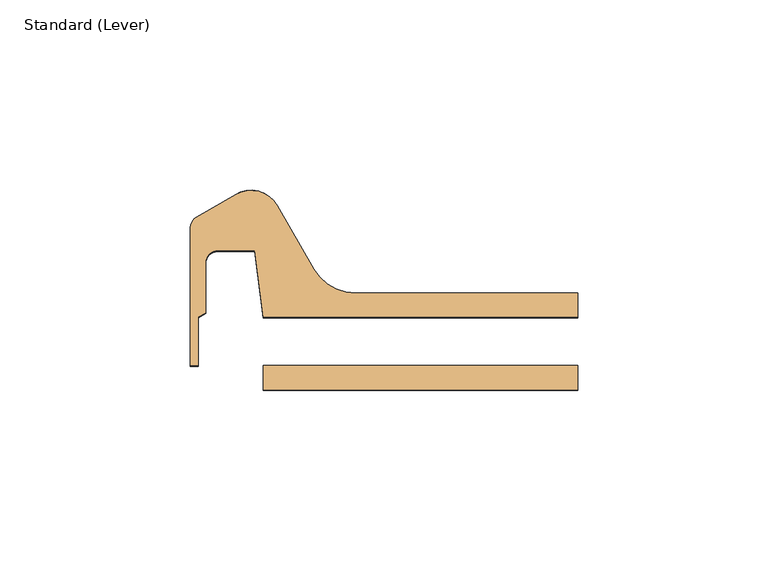
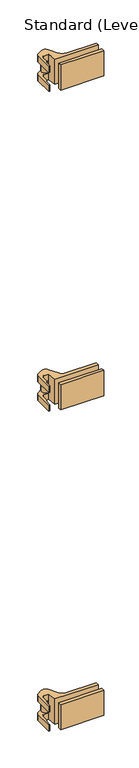
"""IFC4 building model written with IfcOpenShell, lengths in millimetres: door geometry, Standard (Lever)."""

from ifc_helpers import new_model, si_unit, frame, origin, place, context, project, spatial, polyline, circle_curve, outline, extrude, source, transform, mapped, element, save
from ifc_brep_helpers import plane_surface, cylinder_surface, revolved_surface, advanced_brep


def standard_lever_bb03be17(model_context):
    return source(origin(), model_context, "Body", "SolidModel", [
        advanced_brep(
        [(-440.3328125, 23.0182831, 1597.025), (-438.1500584, 5.55625, 1597.025), (-355.6, 5.55625, 1597.025), (-355.6, 11.90625, 1597.025), (-413.828963, 11.90625, 1597.025), (-424.8274856, 18.25625, 1597.025), (-434.4509234, 34.9245331, 1597.025), (-445.29375, 37.8298597, 1597.025), (-455.6125, 31.8723266, 1597.025), (-457.2, 29.122696, 1597.025), (-457.2, -7.1442169, 1597.025), (-455.19975, -7.1442169, 1597.025), (-455.19975, 5.5557831, 1597.025), (-453.1995, 6.710628, 1597.025), (-453.1995, 19.8432831, 1597.025), (-450.0245, 23.0182831, 1597.025), (-440.3328125, 23.0182831, 1584.325), (-450.0245, 23.0182831, 1584.325), (-453.1995, 19.8432831, 1584.325), (-453.1995, 6.710628, 1584.325), (-455.19975, 5.5557831, 1584.325), (-455.19975, -7.1442169, 1584.325), (-457.2, -7.1442169, 1584.325), (-457.2, 29.122696, 1584.325), (-455.6125, 31.8723266, 1584.325), (-445.29375, 37.8298597, 1584.325), (-434.4509234, 34.9245331, 1584.325), (-440.3404743, 23.0795774, 1582.7375), (-440.3404743, 23.0795774, 1560.5125), (-440.3404743, 23.0795774, 1558.925), (-440.3328125, 23.0182831, 1546.225), (-438.1500584, 5.55625, 1546.225), (-355.6, 5.55625, 1546.225), (-355.6, 11.90625, 1546.225), (-413.828963, 11.90625, 1546.225), (-413.828963, 11.90625, 1558.925), (-413.828963, 11.90625, 1584.325), (-424.8274856, 18.25625, 1584.325), (-424.8274856, 18.25625, 1558.925), (-424.8274856, 18.25625, 1546.225), (-434.4509234, 34.9245331, 1546.225), (-434.4509234, 34.9245331, 1558.925), (-434.4509234, 34.9245331, 1560.5125), (-434.4509234, 34.9245331, 1582.7375), (-433.3875, 30.9557831, 1582.7375), (-433.3875, 30.9557831, 1560.5125), (-445.29375, 37.8298597, 1558.925), (-455.6125, 31.8723266, 1558.925), (-457.2, 29.122696, 1558.925), (-457.2, -7.1442169, 1558.925), (-455.19975, -7.1442169, 1558.925), (-455.19975, 5.5557831, 1558.925), (-453.1995, 6.710628, 1558.925), (-453.1995, 19.8432831, 1558.925), (-450.0245, 23.0182831, 1558.925), (-450.0245, 23.0182831, 1546.225), (-453.1995, 19.8432831, 1546.225), (-453.1995, 6.710628, 1546.225), (-455.19975, 5.5557831, 1546.225), (-455.19975, -7.1442169, 1546.225), (-457.2, -7.1442169, 1546.225), (-457.2, 29.122696, 1546.225), (-455.6125, 31.8723266, 1546.225), (-445.29375, 37.8298597, 1546.225), (-449.2625, 30.9557831, 1582.7375), (-444.5, 30.9557831, 1582.7375), (-438.15, 30.9557831, 1582.7375), (-449.2625, 30.9557831, 1560.5125), (-444.5, 30.9557831, 1560.5125), (-438.15, 30.9557831, 1560.5125)],
        [
            (0, 1),
            (1, 2),
            (2, 3),
            (3, 4),
            (4, 5, circle_curve(frame((-413.828963, 24.60625, 1597.025), z_axis=(0.0, 0.0, -1.0), x_axis=(0.0, -1.0, 0.0)), 12.7)),
            (5, 6),
            (6, 7, circle_curve(frame((-441.325, 30.9557831, 1597.025), z_axis=(0.0, 0.0, 1.0), x_axis=(0.0, -1.0, 0.0)), 7.9375)),
            (7, 8),
            (8, 9, circle_curve(frame((-454.025, 29.122696, 1597.025), z_axis=(0.0, 0.0, 1.0), x_axis=(-0.5000000000000575, 0.8660254037844055, 0.0)), 3.175)),
            (9, 10),
            (10, 11),
            (11, 12),
            (12, 13),
            (13, 14),
            (14, 15, circle_curve(frame((-450.0245, 19.8432831, 1597.025), z_axis=(0.0, 0.0, -1.0), x_axis=(-1.0, 0.0, 0.0)), 3.175)),
            (15, 0),
            (16, 17),
            (17, 18, circle_curve(frame((-450.0245, 19.8432831, 1584.325), z_axis=(0.0, 0.0, 1.0), x_axis=(-1.0, 0.0, 0.0)), 3.175)),
            (18, 19),
            (19, 20),
            (20, 21),
            (21, 22),
            (22, 23),
            (23, 24, circle_curve(frame((-454.025, 29.122696, 1584.325), z_axis=(0.0, 0.0, -1.0), x_axis=(-0.5000000000000575, 0.8660254037844055, 0.0)), 3.175)),
            (24, 25),
            (25, 26, circle_curve(frame((-441.325, 30.9557831, 1584.325), z_axis=(0.0, 0.0, -1.0), x_axis=(0.0, -1.0, 0.0)), 7.9375)),
            (26, 16, circle_curve(frame((-441.325, 30.9557831, 1584.325), z_axis=(0.0, 0.0, -1.0), x_axis=(0.0, -1.0, 0.0)), 7.9375)),
            (7, 25),
            (24, 8),
            (23, 9),
            (22, 10),
            (21, 11),
            (20, 12),
            (19, 13),
            (18, 14),
            (17, 15),
            (16, 0),
            (16, 27),
            (27, 28),
            (28, 29),
            (29, 30),
            (30, 31),
            (31, 1),
            (31, 32),
            (32, 2),
            (32, 33),
            (33, 3),
            (33, 34),
            (34, 35),
            (35, 36),
            (36, 4),
            (36, 37, circle_curve(frame((-413.828963, 24.60625, 1584.325), z_axis=(0.0, 0.0, -1.0), x_axis=(0.0, -1.0, 0.0)), 12.7)),
            (37, 5),
            (37, 38),
            (38, 39),
            (39, 40),
            (40, 41),
            (41, 42),
            (42, 43),
            (43, 26),
            (26, 6),
            (35, 38, circle_curve(frame((-413.828963, 24.60625, 1558.925), z_axis=(0.0, 0.0, -1.0), x_axis=(0.0, -1.0, 0.0)), 12.7)),
            (43, 44, circle_curve(frame((-441.325, 30.9557831, 1582.7375), z_axis=(0.0, 0.0, -1.0), x_axis=(0.0, -1.0, 0.0)), 7.9375)),
            (44, 27, circle_curve(frame((-441.325, 30.9557831, 1582.7375), z_axis=(0.0, 0.0, -1.0), x_axis=(0.0, -1.0, 0.0)), 7.9375)),
            (41, 29, circle_curve(frame((-441.325, 30.9557831, 1558.925), z_axis=(0.0, 0.0, -1.0), x_axis=(0.0, -1.0, 0.0)), 7.9375)),
            (28, 45, circle_curve(frame((-441.325, 30.9557831, 1560.5125), z_axis=(0.0, 0.0, 1.0), x_axis=(0.0, -1.0, 0.0)), 7.9375)),
            (45, 42, circle_curve(frame((-441.325, 30.9557831, 1560.5125), z_axis=(0.0, 0.0, 1.0), x_axis=(0.0, -1.0, 0.0)), 7.9375)),
            (41, 46, circle_curve(frame((-441.325, 30.9557831, 1558.925), z_axis=(0.0, 0.0, 1.0), x_axis=(0.0, -1.0, 0.0)), 7.9375)),
            (46, 47),
            (47, 48, circle_curve(frame((-454.025, 29.122696, 1558.925), z_axis=(0.0, 0.0, 1.0), x_axis=(-0.5000000000000575, 0.8660254037844055, 0.0)), 3.175)),
            (48, 49),
            (49, 50),
            (50, 51),
            (51, 52),
            (52, 53),
            (53, 54, circle_curve(frame((-450.0245, 19.8432831, 1558.925), z_axis=(0.0, 0.0, -1.0), x_axis=(-1.0, 0.0, 0.0)), 3.175)),
            (54, 29),
            (30, 55),
            (55, 56, circle_curve(frame((-450.0245, 19.8432831, 1546.225), z_axis=(0.0, 0.0, 1.0), x_axis=(-1.0, 0.0, 0.0)), 3.175)),
            (56, 57),
            (57, 58),
            (58, 59),
            (59, 60),
            (60, 61),
            (61, 62, circle_curve(frame((-454.025, 29.122696, 1546.225), z_axis=(0.0, 0.0, -1.0), x_axis=(-0.5000000000000575, 0.8660254037844055, 0.0)), 3.175)),
            (62, 63),
            (63, 40, circle_curve(frame((-441.325, 30.9557831, 1546.225), z_axis=(0.0, 0.0, -1.0), x_axis=(0.0, -1.0, 0.0)), 7.9375)),
            (39, 34, circle_curve(frame((-413.828963, 24.60625, 1546.225), z_axis=(0.0, 0.0, 1.0), x_axis=(0.0, -1.0, 0.0)), 12.7)),
            (63, 46),
            (62, 47),
            (61, 48),
            (60, 49),
            (59, 50),
            (58, 51),
            (57, 52),
            (56, 53),
            (55, 54),
            (64, 27, circle_curve(frame((-441.325, 30.9557831, 1582.7375), z_axis=(0.0, 0.0, 1.0), x_axis=(1.0, 0.0, 0.0)), 7.9375)),
            (43, 64, circle_curve(frame((-441.325, 30.9557831, 1582.7375), z_axis=(0.0, 0.0, 1.0), x_axis=(1.0, 0.0, 0.0)), 7.9375)),
            (65, 66, circle_curve(frame((-441.325, 30.9557831, 1582.7375), z_axis=(0.0, 0.0, -1.0), x_axis=(1.0, 0.0, 0.0)), 3.175)),
            (66, 65, circle_curve(frame((-441.325, 30.9557831, 1582.7375), z_axis=(0.0, 0.0, -1.0), x_axis=(1.0, 0.0, 0.0)), 3.175)),
            (28, 67, circle_curve(frame((-441.325, 30.9557831, 1560.5125), z_axis=(0.0, 0.0, -1.0), x_axis=(1.0, 0.0, 0.0)), 7.9375)),
            (67, 42, circle_curve(frame((-441.325, 30.9557831, 1560.5125), z_axis=(0.0, 0.0, -1.0), x_axis=(1.0, 0.0, 0.0)), 7.9375)),
            (68, 69, circle_curve(frame((-441.325, 30.9557831, 1560.5125), z_axis=(0.0, 0.0, 1.0), x_axis=(1.0, 0.0, 0.0)), 3.175)),
            (69, 68, circle_curve(frame((-441.325, 30.9557831, 1560.5125), z_axis=(0.0, 0.0, 1.0), x_axis=(1.0, 0.0, 0.0)), 3.175)),
            (65, 68),
            (69, 66),
            (64, 67),
        ],
        [
            plane_surface(frame((-440.3328125, 23.0182831, 1597.025), z_axis=(0.0, 0.0, 1.0), x_axis=(0.12403473458190235, -0.9922778767145809, 0.0))),
            plane_surface(frame((-440.3328125, 23.0182831, 1584.325), z_axis=(0.0, 0.0, -1.0), x_axis=(-0.12403473458190235, 0.9922778767145809, 0.0))),
            plane_surface(frame((-445.29375, 37.8298597, 1597.025), z_axis=(-0.5000000000001321, 0.8660254037843624, 0.0), x_axis=(0.0, 0.0, -1.0))),
            cylinder_surface(frame((-454.025, 29.122696, 1584.325), z_axis=(0.0, 0.0, 1.0), x_axis=(-0.5000000000000575, 0.8660254037844055, 0.0)), 3.175),
            plane_surface(frame((-457.2, 29.122696, 1597.025), z_axis=(-1.0, 0.0, 0.0), x_axis=(0.0, 0.0, -1.0))),
            plane_surface(frame((-457.2, -7.1442169, 1597.025), z_axis=(0.0, -1.0, 0.0), x_axis=(0.0, 0.0, -1.0))),
            plane_surface(frame((-455.19975, -7.1442169, 1597.025), z_axis=(1.0, 0.0, 0.0), x_axis=(0.0, 0.0, -1.0))),
            plane_surface(frame((-455.19975, 5.5557831, 1597.025), z_axis=(0.4999999999997088, -0.8660254037846068, 0.0), x_axis=(0.0, 0.0, -1.0))),
            plane_surface(frame((-453.1995, 6.710628, 1597.025), z_axis=(1.0, 0.0, 0.0), x_axis=(0.0, 0.0, -1.0))),
            revolved_surface(polyline([(-453.1995, 19.8432831, 1584.325), (-453.1995, 19.8432831, 1597.025)]), (-450.0245, 19.8432831, 1584.325), (0.0, 0.0, -1.0)),
            plane_surface(frame((-450.0245, 23.0182831, 1597.025), z_axis=(0.0, -1.0, 0.0), x_axis=(0.0, 0.0, -1.0))),
            plane_surface(frame((-440.3328125, 23.0182831, 1597.025), z_axis=(-0.9922778767145809, -0.12403473458190235, 0.0), x_axis=(0.0, 0.0, -1.0))),
            plane_surface(frame((-438.1500584, 5.55625, 1597.025), z_axis=(0.0, -1.0, 0.0), x_axis=(0.0, 0.0, -1.0))),
            plane_surface(frame((-355.6, 5.55625, 1597.025), z_axis=(1.0, 0.0, 0.0), x_axis=(0.0, 0.0, -1.0))),
            plane_surface(frame((-355.6, 11.90625, 1597.025), z_axis=(0.0, 1.0, 0.0), x_axis=(0.0, 0.0, -1.0))),
            revolved_surface(polyline([(-413.828963, 11.90625, 1584.325), (-413.828963, 11.90625, 1597.025)]), (-413.828963, 24.60625, 1584.325), (0.0, 0.0, -1.0)),
            plane_surface(frame((-424.8274856, 18.25625, 1597.025), z_axis=(0.8660254037845987, 0.49999999999972294, 0.0), x_axis=(0.0, 0.0, -1.0))),
            cylinder_surface(frame((-441.325, 30.9557831, 1584.325), z_axis=(0.0, 0.0, 1.0), x_axis=(0.0, -1.0, 0.0)), 7.9375),
            revolved_surface(polyline([(-413.828963, 11.90625, 1558.925), (-413.828963, 11.90625, 1584.325)]), (-413.828963, 24.60625, 1558.925), (0.0, 0.0, -1.0)),
            revolved_surface(polyline([(-441.325, 23.0182831, 1582.7375), (-441.325, 23.0182831, 1584.325)]), (-441.325, 30.9557831, 1558.925), (0.0, 0.0, -1.0)),
            revolved_surface(polyline([(-441.325, 23.0182831, 1558.925), (-441.325, 23.0182831, 1560.5125)]), (-441.325, 30.9557831, 1558.925), (0.0, 0.0, -1.0)),
            plane_surface(frame((-440.3404743, 23.0795774, 1558.925), z_axis=(0.0, 0.0, 1.0), x_axis=(0.1240347345819024, -0.9922778767145809, 0.0))),
            plane_surface(frame((-440.3404743, 23.0795774, 1546.225), z_axis=(0.0, 0.0, -1.0), x_axis=(-0.1240347345819024, 0.9922778767145809, 0.0))),
            cylinder_surface(frame((-441.325, 30.9557831, 1546.225), z_axis=(0.0, 0.0, 1.0), x_axis=(0.0, -1.0, 0.0)), 7.9375),
            plane_surface(frame((-445.29375, 37.8298597, 1558.925), z_axis=(-0.500000000000132, 0.8660254037843624, 0.0), x_axis=(0.0, 0.0, -1.0))),
            cylinder_surface(frame((-454.025, 29.122696, 1546.225), z_axis=(0.0, 0.0, 1.0), x_axis=(-0.5000000000000575, 0.8660254037844055, 0.0)), 3.175),
            plane_surface(frame((-457.2, 29.122696, 1558.925), z_axis=(-1.0, 0.0, 0.0), x_axis=(0.0, 0.0, -1.0))),
            plane_surface(frame((-457.2, -7.1442169, 1558.925), z_axis=(0.0, -1.0, 0.0), x_axis=(0.0, 0.0, -1.0))),
            plane_surface(frame((-455.19975, -7.1442169, 1558.925), z_axis=(1.0, 0.0, 0.0), x_axis=(0.0, 0.0, -1.0))),
            plane_surface(frame((-455.19975, 5.5557831, 1558.925), z_axis=(0.4999999999997088, -0.8660254037846068, 0.0), x_axis=(0.0, 0.0, -1.0))),
            plane_surface(frame((-453.1995, 6.710628, 1558.925), z_axis=(1.0, 0.0, 0.0), x_axis=(0.0, 0.0, -1.0))),
            revolved_surface(polyline([(-453.1995, 19.8432831, 1546.225), (-453.1995, 19.8432831, 1558.925)]), (-450.0245, 19.8432831, 1546.225), (0.0, 0.0, -1.0)),
            plane_surface(frame((-450.0245, 23.0182831, 1558.925), z_axis=(0.0, -1.0, 0.0), x_axis=(0.0, 0.0, -1.0))),
            revolved_surface(polyline([(-413.828963, 11.90625, 1546.225), (-413.828963, 11.90625, 1558.925)]), (-413.828963, 24.60625, 1546.225), (0.0, 0.0, -1.0)),
            plane_surface(frame((-438.15, 30.9557831, 1582.7375), z_axis=(0.0, 0.0, 1.0), x_axis=(0.0, -1.0, 0.0))),
            plane_surface(frame((-438.15, 30.9557831, 1560.5125), z_axis=(0.0, 0.0, -1.0), x_axis=(0.0, 1.0, 0.0))),
            revolved_surface(polyline([(-438.15, 30.9557831, 1560.5125), (-438.15, 30.9557831, 1582.7375)]), (-441.325, 30.9557831, 1560.5125), (0.0, 0.0, -1.0)),
            cylinder_surface(frame((-441.325, 30.9557831, 1546.225), z_axis=(0.0, 0.0, 1.0), x_axis=(1.0, 0.0, 0.0)), 7.9375),
        ],
        [
            (0, [[1, 2, 3, 4, 5, 6, 7, 8, 9, 10, 11, 12, 13, 14, 15, 16]]),
            (1, [[17, 18, 19, 20, 21, 22, 23, 24, 25, 26, 27]]),
            (2, [[-8, 28, -25, 29]]),
            (3, [[-9, -29, -24, 30]]),
            (4, [[-10, -30, -23, 31]]),
            (5, [[-11, -31, -22, 32]]),
            (6, [[-12, -32, -21, 33]]),
            (7, [[-13, -33, -20, 34]]),
            (8, [[-14, -34, -19, 35]]),
            (9, [[-15, -35, -18, 36]]),
            (10, [[-16, -36, -17, 37]]),
            (11, [[-1, -37, 38, 39, 40, 41, 42, 43]]),
            (12, [[-2, -43, 44, 45]]),
            (13, [[-3, -45, 46, 47]]),
            (14, [[-4, -47, 48, 49, 50, 51]]),
            (15, [[-5, -51, 52, 53]]),
            (16, [[-6, -53, 54, 55, 56, 57, 58, 59, 60, 61]]),
            (17, [[-7, -61, -26, -28]]),
            (18, [[-50, 62, -54, -52]]),
            (19, [[-27, -60, 63, 64, -38]]),
            (20, [[65, -40, 66, 67, -58]]),
            (21, [[68, 69, 70, 71, 72, 73, 74, 75, 76, 77, -65]]),
            (22, [[78, 79, 80, 81, 82, 83, 84, 85, 86, 87, -56, 88, -48, -46, -44, -42]]),
            (23, [[-68, -57, -87, 89]]),
            (24, [[-69, -89, -86, 90]]),
            (25, [[-70, -90, -85, 91]]),
            (26, [[-71, -91, -84, 92]]),
            (27, [[-72, -92, -83, 93]]),
            (28, [[-73, -93, -82, 94]]),
            (29, [[-74, -94, -81, 95]]),
            (30, [[-75, -95, -80, 96]]),
            (31, [[-76, -96, -79, 97]]),
            (32, [[-77, -97, -78, -41]]),
            (33, [[-88, -55, -62, -49]]),
            (34, [[98, -64, -63, 99], [100, 101]]),
            (35, [[102, 103, -67, -66], [104, 105]]),
            (36, [[-100, 106, -105, 107]]),
            (36, [[-101, -107, -104, -106]]),
            (37, [[108, -102, -39, -98]]),
            (37, [[-108, -99, -59, -103]]),
        ],
    ),
        extrude(outline(polyline([(-355.6, -13.49375), (-438.15, -13.49375), (-438.15, -7.14375), (-355.6, -7.14375), (-355.6, -13.49375)])), frame((0.0, 0.0, 1546.225), z_axis=(0.0, 0.0, 1.0), x_axis=(1.0, 0.0, 0.0)), (0.0, 0.0, 1.0), 50.8),
        advanced_brep(
        [(-440.3328125, 23.0182831, 950.9125), (-438.1500584, 5.55625, 950.9125), (-355.6, 5.55625, 950.9125), (-355.6, 11.90625, 950.9125), (-413.828963, 11.90625, 950.9125), (-424.8274856, 18.25625, 950.9125), (-434.4509234, 34.9245331, 950.9125), (-445.29375, 37.8298597, 950.9125), (-455.6125, 31.8723266, 950.9125), (-457.2, 29.122696, 950.9125), (-457.2, -7.1442169, 950.9125), (-455.19975, -7.1442169, 950.9125), (-455.19975, 5.5557831, 950.9125), (-453.1995, 6.710628, 950.9125), (-453.1995, 19.8432831, 950.9125), (-450.0245, 23.0182831, 950.9125), (-440.3328125, 23.0182831, 938.2125), (-450.0245, 23.0182831, 938.2125), (-453.1995, 19.8432831, 938.2125), (-453.1995, 6.710628, 938.2125), (-455.19975, 5.5557831, 938.2125), (-455.19975, -7.1442169, 938.2125), (-457.2, -7.1442169, 938.2125), (-457.2, 29.122696, 938.2125), (-455.6125, 31.8723266, 938.2125), (-445.29375, 37.8298597, 938.2125), (-434.4509234, 34.9245331, 938.2125), (-440.3404743, 23.0795774, 936.625), (-440.3404743, 23.0795774, 914.4), (-440.3404743, 23.0795774, 912.8125), (-440.3328125, 23.0182831, 900.1125), (-438.1500584, 5.55625, 900.1125), (-355.6, 5.55625, 900.1125), (-355.6, 11.90625, 900.1125), (-413.828963, 11.90625, 900.1125), (-413.828963, 11.90625, 912.8125), (-413.828963, 11.90625, 938.2125), (-424.8274856, 18.25625, 938.2125), (-424.8274856, 18.25625, 912.8125), (-424.8274856, 18.25625, 900.1125), (-434.4509234, 34.9245331, 900.1125), (-434.4509234, 34.9245331, 912.8125), (-434.4509234, 34.9245331, 914.4), (-434.4509234, 34.9245331, 936.625), (-433.3875, 30.9557831, 936.625), (-433.3875, 30.9557831, 914.4), (-445.29375, 37.8298597, 912.8125), (-455.6125, 31.8723266, 912.8125), (-457.2, 29.122696, 912.8125), (-457.2, -7.1442169, 912.8125), (-455.19975, -7.1442169, 912.8125), (-455.19975, 5.5557831, 912.8125), (-453.1995, 6.710628, 912.8125), (-453.1995, 19.8432831, 912.8125), (-450.0245, 23.0182831, 912.8125), (-450.0245, 23.0182831, 900.1125), (-453.1995, 19.8432831, 900.1125), (-453.1995, 6.710628, 900.1125), (-455.19975, 5.5557831, 900.1125), (-455.19975, -7.1442169, 900.1125), (-457.2, -7.1442169, 900.1125), (-457.2, 29.122696, 900.1125), (-455.6125, 31.8723266, 900.1125), (-445.29375, 37.8298597, 900.1125), (-449.2625, 30.9557831, 936.625), (-444.5, 30.9557831, 936.625), (-438.15, 30.9557831, 936.625), (-449.2625, 30.9557831, 914.4), (-444.5, 30.9557831, 914.4), (-438.15, 30.9557831, 914.4)],
        [
            (0, 1),
            (1, 2),
            (2, 3),
            (3, 4),
            (4, 5, circle_curve(frame((-413.828963, 24.60625, 950.9125), z_axis=(0.0, 0.0, -1.0), x_axis=(0.0, -1.0, 0.0)), 12.7)),
            (5, 6),
            (6, 7, circle_curve(frame((-441.325, 30.9557831, 950.9125), z_axis=(0.0, 0.0, 1.0), x_axis=(0.0, -1.0, 0.0)), 7.9375)),
            (7, 8),
            (8, 9, circle_curve(frame((-454.025, 29.122696, 950.9125), z_axis=(0.0, 0.0, 1.0), x_axis=(-0.5000000000000575, 0.8660254037844055, 0.0)), 3.175)),
            (9, 10),
            (10, 11),
            (11, 12),
            (12, 13),
            (13, 14),
            (14, 15, circle_curve(frame((-450.0245, 19.8432831, 950.9125), z_axis=(0.0, 0.0, -1.0), x_axis=(-1.0, 0.0, 0.0)), 3.175)),
            (15, 0),
            (16, 17),
            (17, 18, circle_curve(frame((-450.0245, 19.8432831, 938.2125), z_axis=(0.0, 0.0, 1.0), x_axis=(-1.0, 0.0, 0.0)), 3.175)),
            (18, 19),
            (19, 20),
            (20, 21),
            (21, 22),
            (22, 23),
            (23, 24, circle_curve(frame((-454.025, 29.122696, 938.2125), z_axis=(0.0, 0.0, -1.0), x_axis=(-0.5000000000000575, 0.8660254037844055, 0.0)), 3.175)),
            (24, 25),
            (25, 26, circle_curve(frame((-441.325, 30.9557831, 938.2125), z_axis=(0.0, 0.0, -1.0), x_axis=(0.0, -1.0, 0.0)), 7.9375)),
            (26, 16, circle_curve(frame((-441.325, 30.9557831, 938.2125), z_axis=(0.0, 0.0, -1.0), x_axis=(0.0, -1.0, 0.0)), 7.9375)),
            (7, 25),
            (24, 8),
            (23, 9),
            (22, 10),
            (21, 11),
            (20, 12),
            (19, 13),
            (18, 14),
            (17, 15),
            (16, 0),
            (16, 27),
            (27, 28),
            (28, 29),
            (29, 30),
            (30, 31),
            (31, 1),
            (31, 32),
            (32, 2),
            (32, 33),
            (33, 3),
            (33, 34),
            (34, 35),
            (35, 36),
            (36, 4),
            (36, 37, circle_curve(frame((-413.828963, 24.60625, 938.2125), z_axis=(0.0, 0.0, -1.0), x_axis=(0.0, -1.0, 0.0)), 12.7)),
            (37, 5),
            (37, 38),
            (38, 39),
            (39, 40),
            (40, 41),
            (41, 42),
            (42, 43),
            (43, 26),
            (26, 6),
            (35, 38, circle_curve(frame((-413.828963, 24.60625, 912.8125), z_axis=(0.0, 0.0, -1.0), x_axis=(0.0, -1.0, 0.0)), 12.7)),
            (43, 44, circle_curve(frame((-441.325, 30.9557831, 936.625), z_axis=(0.0, 0.0, -1.0), x_axis=(0.0, -1.0, 0.0)), 7.9375)),
            (44, 27, circle_curve(frame((-441.325, 30.9557831, 936.625), z_axis=(0.0, 0.0, -1.0), x_axis=(0.0, -1.0, 0.0)), 7.9375)),
            (41, 29, circle_curve(frame((-441.325, 30.9557831, 912.8125), z_axis=(0.0, 0.0, -1.0), x_axis=(0.0, -1.0, 0.0)), 7.9375)),
            (28, 45, circle_curve(frame((-441.325, 30.9557831, 914.4), z_axis=(0.0, 0.0, 1.0), x_axis=(0.0, -1.0, 0.0)), 7.9375)),
            (45, 42, circle_curve(frame((-441.325, 30.9557831, 914.4), z_axis=(0.0, 0.0, 1.0), x_axis=(0.0, -1.0, 0.0)), 7.9375)),
            (41, 46, circle_curve(frame((-441.325, 30.9557831, 912.8125), z_axis=(0.0, 0.0, 1.0), x_axis=(0.0, -1.0, 0.0)), 7.9375)),
            (46, 47),
            (47, 48, circle_curve(frame((-454.025, 29.122696, 912.8125), z_axis=(0.0, 0.0, 1.0), x_axis=(-0.5000000000000575, 0.8660254037844055, 0.0)), 3.175)),
            (48, 49),
            (49, 50),
            (50, 51),
            (51, 52),
            (52, 53),
            (53, 54, circle_curve(frame((-450.0245, 19.8432831, 912.8125), z_axis=(0.0, 0.0, -1.0), x_axis=(-1.0, 0.0, 0.0)), 3.175)),
            (54, 29),
            (30, 55),
            (55, 56, circle_curve(frame((-450.0245, 19.8432831, 900.1125), z_axis=(0.0, 0.0, 1.0), x_axis=(-1.0, 0.0, 0.0)), 3.175)),
            (56, 57),
            (57, 58),
            (58, 59),
            (59, 60),
            (60, 61),
            (61, 62, circle_curve(frame((-454.025, 29.122696, 900.1125), z_axis=(0.0, 0.0, -1.0), x_axis=(-0.5000000000000575, 0.8660254037844055, 0.0)), 3.175)),
            (62, 63),
            (63, 40, circle_curve(frame((-441.325, 30.9557831, 900.1125), z_axis=(0.0, 0.0, -1.0), x_axis=(0.0, -1.0, 0.0)), 7.9375)),
            (39, 34, circle_curve(frame((-413.828963, 24.60625, 900.1125), z_axis=(0.0, 0.0, 1.0), x_axis=(0.0, -1.0, 0.0)), 12.7)),
            (63, 46),
            (62, 47),
            (61, 48),
            (60, 49),
            (59, 50),
            (58, 51),
            (57, 52),
            (56, 53),
            (55, 54),
            (64, 27, circle_curve(frame((-441.325, 30.9557831, 936.625), z_axis=(0.0, 0.0, 1.0), x_axis=(1.0, 0.0, 0.0)), 7.9375)),
            (43, 64, circle_curve(frame((-441.325, 30.9557831, 936.625), z_axis=(0.0, 0.0, 1.0), x_axis=(1.0, 0.0, 0.0)), 7.9375)),
            (65, 66, circle_curve(frame((-441.325, 30.9557831, 936.625), z_axis=(0.0, 0.0, -1.0), x_axis=(1.0, 0.0, 0.0)), 3.175)),
            (66, 65, circle_curve(frame((-441.325, 30.9557831, 936.625), z_axis=(0.0, 0.0, -1.0), x_axis=(1.0, 0.0, 0.0)), 3.175)),
            (28, 67, circle_curve(frame((-441.325, 30.9557831, 914.4), z_axis=(0.0, 0.0, -1.0), x_axis=(1.0, 0.0, 0.0)), 7.9375)),
            (67, 42, circle_curve(frame((-441.325, 30.9557831, 914.4), z_axis=(0.0, 0.0, -1.0), x_axis=(1.0, 0.0, 0.0)), 7.9375)),
            (68, 69, circle_curve(frame((-441.325, 30.9557831, 914.4), z_axis=(0.0, 0.0, 1.0), x_axis=(1.0, 0.0, 0.0)), 3.175)),
            (69, 68, circle_curve(frame((-441.325, 30.9557831, 914.4), z_axis=(0.0, 0.0, 1.0), x_axis=(1.0, 0.0, 0.0)), 3.175)),
            (65, 68),
            (69, 66),
            (64, 67),
        ],
        [
            plane_surface(frame((-440.3328125, 23.0182831, 950.9125), z_axis=(0.0, 0.0, 1.0), x_axis=(0.12403473458190235, -0.9922778767145809, 0.0))),
            plane_surface(frame((-440.3328125, 23.0182831, 938.2125), z_axis=(0.0, 0.0, -1.0), x_axis=(-0.12403473458190235, 0.9922778767145809, 0.0))),
            plane_surface(frame((-445.29375, 37.8298597, 950.9125), z_axis=(-0.5000000000001321, 0.8660254037843624, 0.0), x_axis=(0.0, 0.0, -1.0))),
            cylinder_surface(frame((-454.025, 29.122696, 938.2125), z_axis=(0.0, 0.0, 1.0), x_axis=(-0.5000000000000575, 0.8660254037844055, 0.0)), 3.175),
            plane_surface(frame((-457.2, 29.122696, 950.9125), z_axis=(-1.0, 0.0, 0.0), x_axis=(0.0, 0.0, -1.0))),
            plane_surface(frame((-457.2, -7.1442169, 950.9125), z_axis=(0.0, -1.0, 0.0), x_axis=(0.0, 0.0, -1.0))),
            plane_surface(frame((-455.19975, -7.1442169, 950.9125), z_axis=(1.0, 0.0, 0.0), x_axis=(0.0, 0.0, -1.0))),
            plane_surface(frame((-455.19975, 5.5557831, 950.9125), z_axis=(0.4999999999997088, -0.8660254037846068, 0.0), x_axis=(0.0, 0.0, -1.0))),
            plane_surface(frame((-453.1995, 6.710628, 950.9125), z_axis=(1.0, 0.0, 0.0), x_axis=(0.0, 0.0, -1.0))),
            revolved_surface(polyline([(-453.1995, 19.8432831, 938.2125), (-453.1995, 19.8432831, 950.9125)]), (-450.0245, 19.8432831, 938.2125), (0.0, 0.0, -1.0)),
            plane_surface(frame((-450.0245, 23.0182831, 950.9125), z_axis=(0.0, -1.0, 0.0), x_axis=(0.0, 0.0, -1.0))),
            plane_surface(frame((-440.3328125, 23.0182831, 950.9125), z_axis=(-0.9922778767145809, -0.12403473458190235, 0.0), x_axis=(0.0, 0.0, -1.0))),
            plane_surface(frame((-438.1500584, 5.55625, 950.9125), z_axis=(0.0, -1.0, 0.0), x_axis=(0.0, 0.0, -1.0))),
            plane_surface(frame((-355.6, 5.55625, 950.9125), z_axis=(1.0, 0.0, 0.0), x_axis=(0.0, 0.0, -1.0))),
            plane_surface(frame((-355.6, 11.90625, 950.9125), z_axis=(0.0, 1.0, 0.0), x_axis=(0.0, 0.0, -1.0))),
            revolved_surface(polyline([(-413.828963, 11.90625, 938.2125), (-413.828963, 11.90625, 950.9125)]), (-413.828963, 24.60625, 938.2125), (0.0, 0.0, -1.0)),
            plane_surface(frame((-424.8274856, 18.25625, 950.9125), z_axis=(0.8660254037845987, 0.49999999999972294, 0.0), x_axis=(0.0, 0.0, -1.0))),
            cylinder_surface(frame((-441.325, 30.9557831, 938.2125), z_axis=(0.0, 0.0, 1.0), x_axis=(0.0, -1.0, 0.0)), 7.9375),
            revolved_surface(polyline([(-413.828963, 11.90625, 912.8125), (-413.828963, 11.90625, 938.2125)]), (-413.828963, 24.60625, 912.8125), (0.0, 0.0, -1.0)),
            revolved_surface(polyline([(-441.325, 23.0182831, 936.625), (-441.325, 23.0182831, 938.2125)]), (-441.325, 30.9557831, 912.8125), (0.0, 0.0, -1.0)),
            revolved_surface(polyline([(-441.325, 23.0182831, 912.8125), (-441.325, 23.0182831, 914.4)]), (-441.325, 30.9557831, 912.8125), (0.0, 0.0, -1.0)),
            plane_surface(frame((-440.3404743, 23.0795774, 912.8125), z_axis=(0.0, 0.0, 1.0), x_axis=(0.1240347345819024, -0.9922778767145809, 0.0))),
            plane_surface(frame((-440.3404743, 23.0795774, 900.1125), z_axis=(0.0, 0.0, -1.0), x_axis=(-0.1240347345819024, 0.9922778767145809, 0.0))),
            cylinder_surface(frame((-441.325, 30.9557831, 900.1125), z_axis=(0.0, 0.0, 1.0), x_axis=(0.0, -1.0, 0.0)), 7.9375),
            plane_surface(frame((-445.29375, 37.8298597, 912.8125), z_axis=(-0.500000000000132, 0.8660254037843624, 0.0), x_axis=(0.0, 0.0, -1.0))),
            cylinder_surface(frame((-454.025, 29.122696, 900.1125), z_axis=(0.0, 0.0, 1.0), x_axis=(-0.5000000000000575, 0.8660254037844055, 0.0)), 3.175),
            plane_surface(frame((-457.2, 29.122696, 912.8125), z_axis=(-1.0, 0.0, 0.0), x_axis=(0.0, 0.0, -1.0))),
            plane_surface(frame((-457.2, -7.1442169, 912.8125), z_axis=(0.0, -1.0, 0.0), x_axis=(0.0, 0.0, -1.0))),
            plane_surface(frame((-455.19975, -7.1442169, 912.8125), z_axis=(1.0, 0.0, 0.0), x_axis=(0.0, 0.0, -1.0))),
            plane_surface(frame((-455.19975, 5.5557831, 912.8125), z_axis=(0.4999999999997088, -0.8660254037846068, 0.0), x_axis=(0.0, 0.0, -1.0))),
            plane_surface(frame((-453.1995, 6.710628, 912.8125), z_axis=(1.0, 0.0, 0.0), x_axis=(0.0, 0.0, -1.0))),
            revolved_surface(polyline([(-453.1995, 19.8432831, 900.1125), (-453.1995, 19.8432831, 912.8125)]), (-450.0245, 19.8432831, 900.1125), (0.0, 0.0, -1.0)),
            plane_surface(frame((-450.0245, 23.0182831, 912.8125), z_axis=(0.0, -1.0, 0.0), x_axis=(0.0, 0.0, -1.0))),
            revolved_surface(polyline([(-413.828963, 11.90625, 900.1125), (-413.828963, 11.90625, 912.8125)]), (-413.828963, 24.60625, 900.1125), (0.0, 0.0, -1.0)),
            plane_surface(frame((-438.15, 30.9557831, 936.625), z_axis=(0.0, 0.0, 1.0), x_axis=(0.0, -1.0, 0.0))),
            plane_surface(frame((-438.15, 30.9557831, 914.4), z_axis=(0.0, 0.0, -1.0), x_axis=(0.0, 1.0, 0.0))),
            revolved_surface(polyline([(-438.15, 30.9557831, 914.4), (-438.15, 30.9557831, 936.625)]), (-441.325, 30.9557831, 914.4), (0.0, 0.0, -1.0)),
            cylinder_surface(frame((-441.325, 30.9557831, 900.1125), z_axis=(0.0, 0.0, 1.0), x_axis=(1.0, 0.0, 0.0)), 7.9375),
        ],
        [
            (0, [[1, 2, 3, 4, 5, 6, 7, 8, 9, 10, 11, 12, 13, 14, 15, 16]]),
            (1, [[17, 18, 19, 20, 21, 22, 23, 24, 25, 26, 27]]),
            (2, [[-8, 28, -25, 29]]),
            (3, [[-9, -29, -24, 30]]),
            (4, [[-10, -30, -23, 31]]),
            (5, [[-11, -31, -22, 32]]),
            (6, [[-12, -32, -21, 33]]),
            (7, [[-13, -33, -20, 34]]),
            (8, [[-14, -34, -19, 35]]),
            (9, [[-15, -35, -18, 36]]),
            (10, [[-16, -36, -17, 37]]),
            (11, [[-1, -37, 38, 39, 40, 41, 42, 43]]),
            (12, [[-2, -43, 44, 45]]),
            (13, [[-3, -45, 46, 47]]),
            (14, [[-4, -47, 48, 49, 50, 51]]),
            (15, [[-5, -51, 52, 53]]),
            (16, [[-6, -53, 54, 55, 56, 57, 58, 59, 60, 61]]),
            (17, [[-7, -61, -26, -28]]),
            (18, [[-50, 62, -54, -52]]),
            (19, [[-27, -60, 63, 64, -38]]),
            (20, [[65, -40, 66, 67, -58]]),
            (21, [[68, 69, 70, 71, 72, 73, 74, 75, 76, 77, -65]]),
            (22, [[78, 79, 80, 81, 82, 83, 84, 85, 86, 87, -56, 88, -48, -46, -44, -42]]),
            (23, [[-68, -57, -87, 89]]),
            (24, [[-69, -89, -86, 90]]),
            (25, [[-70, -90, -85, 91]]),
            (26, [[-71, -91, -84, 92]]),
            (27, [[-72, -92, -83, 93]]),
            (28, [[-73, -93, -82, 94]]),
            (29, [[-74, -94, -81, 95]]),
            (30, [[-75, -95, -80, 96]]),
            (31, [[-76, -96, -79, 97]]),
            (32, [[-77, -97, -78, -41]]),
            (33, [[-88, -55, -62, -49]]),
            (34, [[98, -64, -63, 99], [100, 101]]),
            (35, [[102, 103, -67, -66], [104, 105]]),
            (36, [[-100, 106, -105, 107]]),
            (36, [[-101, -107, -104, -106]]),
            (37, [[108, -102, -39, -98]]),
            (37, [[-108, -99, -59, -103]]),
        ],
    ),
        extrude(outline(polyline([(-355.6, -13.49375), (-438.15, -13.49375), (-438.15, -7.14375), (-355.6, -7.14375), (-355.6, -13.49375)])), frame((0.0, 0.0, 900.1125), z_axis=(0.0, 0.0, 1.0), x_axis=(1.0, 0.0, 0.0)), (0.0, 0.0, 1.0), 50.8),
        advanced_brep(
        [(-440.3328125, 23.0182831, 2243.1375), (-438.1500584, 5.55625, 2243.1375), (-355.6, 5.55625, 2243.1375), (-355.6, 11.90625, 2243.1375), (-413.828963, 11.90625, 2243.1375), (-424.8274856, 18.25625, 2243.1375), (-434.4509234, 34.9245331, 2243.1375), (-445.29375, 37.8298597, 2243.1375), (-455.6125, 31.8723266, 2243.1375), (-457.2, 29.122696, 2243.1375), (-457.2, -7.1442169, 2243.1375), (-455.19975, -7.1442169, 2243.1375), (-455.19975, 5.5557831, 2243.1375), (-453.1995, 6.710628, 2243.1375), (-453.1995, 19.8432831, 2243.1375), (-450.0245, 23.0182831, 2243.1375), (-440.3328125, 23.0182831, 2230.4375), (-450.0245, 23.0182831, 2230.4375), (-453.1995, 19.8432831, 2230.4375), (-453.1995, 6.710628, 2230.4375), (-455.19975, 5.5557831, 2230.4375), (-455.19975, -7.1442169, 2230.4375), (-457.2, -7.1442169, 2230.4375), (-457.2, 29.122696, 2230.4375), (-455.6125, 31.8723266, 2230.4375), (-445.29375, 37.8298597, 2230.4375), (-434.4509234, 34.9245331, 2230.4375), (-440.3404743, 23.0795774, 2228.85), (-440.3404743, 23.0795774, 2206.625), (-440.3404743, 23.0795774, 2205.0375), (-440.3328125, 23.0182831, 2192.3375), (-438.1500584, 5.55625, 2192.3375), (-355.6, 5.55625, 2192.3375), (-355.6, 11.90625, 2192.3375), (-413.828963, 11.90625, 2192.3375), (-413.828963, 11.90625, 2205.0375), (-413.828963, 11.90625, 2230.4375), (-424.8274856, 18.25625, 2230.4375), (-424.8274856, 18.25625, 2205.0375), (-424.8274856, 18.25625, 2192.3375), (-434.4509234, 34.9245331, 2192.3375), (-434.4509234, 34.9245331, 2205.0375), (-434.4509234, 34.9245331, 2206.625), (-434.4509234, 34.9245331, 2228.85), (-433.3875, 30.9557831, 2228.85), (-433.3875, 30.9557831, 2206.625), (-445.29375, 37.8298597, 2205.0375), (-455.6125, 31.8723266, 2205.0375), (-457.2, 29.122696, 2205.0375), (-457.2, -7.1442169, 2205.0375), (-455.19975, -7.1442169, 2205.0375), (-455.19975, 5.5557831, 2205.0375), (-453.1995, 6.710628, 2205.0375), (-453.1995, 19.8432831, 2205.0375), (-450.0245, 23.0182831, 2205.0375), (-450.0245, 23.0182831, 2192.3375), (-453.1995, 19.8432831, 2192.3375), (-453.1995, 6.710628, 2192.3375), (-455.19975, 5.5557831, 2192.3375), (-455.19975, -7.1442169, 2192.3375), (-457.2, -7.1442169, 2192.3375), (-457.2, 29.122696, 2192.3375), (-455.6125, 31.8723266, 2192.3375), (-445.29375, 37.8298597, 2192.3375), (-449.2625, 30.9557831, 2228.85), (-444.5, 30.9557831, 2228.85), (-438.15, 30.9557831, 2228.85), (-449.2625, 30.9557831, 2206.625), (-444.5, 30.9557831, 2206.625), (-438.15, 30.9557831, 2206.625)],
        [
            (0, 1),
            (1, 2),
            (2, 3),
            (3, 4),
            (4, 5, circle_curve(frame((-413.828963, 24.60625, 2243.1375), z_axis=(0.0, 0.0, -1.0), x_axis=(0.0, -1.0, 0.0)), 12.7)),
            (5, 6),
            (6, 7, circle_curve(frame((-441.325, 30.9557831, 2243.1375), z_axis=(0.0, 0.0, 1.0), x_axis=(0.0, -1.0, 0.0)), 7.9375)),
            (7, 8),
            (8, 9, circle_curve(frame((-454.025, 29.122696, 2243.1375), z_axis=(0.0, 0.0, 1.0), x_axis=(-0.5000000000000575, 0.8660254037844055, 0.0)), 3.175)),
            (9, 10),
            (10, 11),
            (11, 12),
            (12, 13),
            (13, 14),
            (14, 15, circle_curve(frame((-450.0245, 19.8432831, 2243.1375), z_axis=(0.0, 0.0, -1.0), x_axis=(-1.0, 0.0, 0.0)), 3.175)),
            (15, 0),
            (16, 17),
            (17, 18, circle_curve(frame((-450.0245, 19.8432831, 2230.4375), z_axis=(0.0, 0.0, 1.0), x_axis=(-1.0, 0.0, 0.0)), 3.175)),
            (18, 19),
            (19, 20),
            (20, 21),
            (21, 22),
            (22, 23),
            (23, 24, circle_curve(frame((-454.025, 29.122696, 2230.4375), z_axis=(0.0, 0.0, -1.0), x_axis=(-0.5000000000000575, 0.8660254037844055, 0.0)), 3.175)),
            (24, 25),
            (25, 26, circle_curve(frame((-441.325, 30.9557831, 2230.4375), z_axis=(0.0, 0.0, -1.0), x_axis=(0.0, -1.0, 0.0)), 7.9375)),
            (26, 16, circle_curve(frame((-441.325, 30.9557831, 2230.4375), z_axis=(0.0, 0.0, -1.0), x_axis=(0.0, -1.0, 0.0)), 7.9375)),
            (7, 25),
            (24, 8),
            (23, 9),
            (22, 10),
            (21, 11),
            (20, 12),
            (19, 13),
            (18, 14),
            (17, 15),
            (16, 0),
            (16, 27),
            (27, 28),
            (28, 29),
            (29, 30),
            (30, 31),
            (31, 1),
            (31, 32),
            (32, 2),
            (32, 33),
            (33, 3),
            (33, 34),
            (34, 35),
            (35, 36),
            (36, 4),
            (36, 37, circle_curve(frame((-413.828963, 24.60625, 2230.4375), z_axis=(0.0, 0.0, -1.0), x_axis=(0.0, -1.0, 0.0)), 12.7)),
            (37, 5),
            (37, 38),
            (38, 39),
            (39, 40),
            (40, 41),
            (41, 42),
            (42, 43),
            (43, 26),
            (26, 6),
            (35, 38, circle_curve(frame((-413.828963, 24.60625, 2205.0375), z_axis=(0.0, 0.0, -1.0), x_axis=(0.0, -1.0, 0.0)), 12.7)),
            (43, 44, circle_curve(frame((-441.325, 30.9557831, 2228.85), z_axis=(0.0, 0.0, -1.0), x_axis=(0.0, -1.0, 0.0)), 7.9375)),
            (44, 27, circle_curve(frame((-441.325, 30.9557831, 2228.85), z_axis=(0.0, 0.0, -1.0), x_axis=(0.0, -1.0, 0.0)), 7.9375)),
            (41, 29, circle_curve(frame((-441.325, 30.9557831, 2205.0375), z_axis=(0.0, 0.0, -1.0), x_axis=(0.0, -1.0, 0.0)), 7.9375)),
            (28, 45, circle_curve(frame((-441.325, 30.9557831, 2206.625), z_axis=(0.0, 0.0, 1.0), x_axis=(0.0, -1.0, 0.0)), 7.9375)),
            (45, 42, circle_curve(frame((-441.325, 30.9557831, 2206.625), z_axis=(0.0, 0.0, 1.0), x_axis=(0.0, -1.0, 0.0)), 7.9375)),
            (41, 46, circle_curve(frame((-441.325, 30.9557831, 2205.0375), z_axis=(0.0, 0.0, 1.0), x_axis=(0.0, -1.0, 0.0)), 7.9375)),
            (46, 47),
            (47, 48, circle_curve(frame((-454.025, 29.122696, 2205.0375), z_axis=(0.0, 0.0, 1.0), x_axis=(-0.5000000000000575, 0.8660254037844055, 0.0)), 3.175)),
            (48, 49),
            (49, 50),
            (50, 51),
            (51, 52),
            (52, 53),
            (53, 54, circle_curve(frame((-450.0245, 19.8432831, 2205.0375), z_axis=(0.0, 0.0, -1.0), x_axis=(-1.0, 0.0, 0.0)), 3.175)),
            (54, 29),
            (30, 55),
            (55, 56, circle_curve(frame((-450.0245, 19.8432831, 2192.3375), z_axis=(0.0, 0.0, 1.0), x_axis=(-1.0, 0.0, 0.0)), 3.175)),
            (56, 57),
            (57, 58),
            (58, 59),
            (59, 60),
            (60, 61),
            (61, 62, circle_curve(frame((-454.025, 29.122696, 2192.3375), z_axis=(0.0, 0.0, -1.0), x_axis=(-0.5000000000000575, 0.8660254037844055, 0.0)), 3.175)),
            (62, 63),
            (63, 40, circle_curve(frame((-441.325, 30.9557831, 2192.3375), z_axis=(0.0, 0.0, -1.0), x_axis=(0.0, -1.0, 0.0)), 7.9375)),
            (39, 34, circle_curve(frame((-413.828963, 24.60625, 2192.3375), z_axis=(0.0, 0.0, 1.0), x_axis=(0.0, -1.0, 0.0)), 12.7)),
            (63, 46),
            (62, 47),
            (61, 48),
            (60, 49),
            (59, 50),
            (58, 51),
            (57, 52),
            (56, 53),
            (55, 54),
            (64, 27, circle_curve(frame((-441.325, 30.9557831, 2228.85), z_axis=(0.0, 0.0, 1.0), x_axis=(1.0, 0.0, 0.0)), 7.9375)),
            (43, 64, circle_curve(frame((-441.325, 30.9557831, 2228.85), z_axis=(0.0, 0.0, 1.0), x_axis=(1.0, 0.0, 0.0)), 7.9375)),
            (65, 66, circle_curve(frame((-441.325, 30.9557831, 2228.85), z_axis=(0.0, 0.0, -1.0), x_axis=(1.0, 0.0, 0.0)), 3.175)),
            (66, 65, circle_curve(frame((-441.325, 30.9557831, 2228.85), z_axis=(0.0, 0.0, -1.0), x_axis=(1.0, 0.0, 0.0)), 3.175)),
            (28, 67, circle_curve(frame((-441.325, 30.9557831, 2206.625), z_axis=(0.0, 0.0, -1.0), x_axis=(1.0, 0.0, 0.0)), 7.9375)),
            (67, 42, circle_curve(frame((-441.325, 30.9557831, 2206.625), z_axis=(0.0, 0.0, -1.0), x_axis=(1.0, 0.0, 0.0)), 7.9375)),
            (68, 69, circle_curve(frame((-441.325, 30.9557831, 2206.625), z_axis=(0.0, 0.0, 1.0), x_axis=(1.0, 0.0, 0.0)), 3.175)),
            (69, 68, circle_curve(frame((-441.325, 30.9557831, 2206.625), z_axis=(0.0, 0.0, 1.0), x_axis=(1.0, 0.0, 0.0)), 3.175)),
            (65, 68),
            (69, 66),
            (64, 67),
        ],
        [
            plane_surface(frame((-440.3328125, 23.0182831, 2243.1375), z_axis=(0.0, 0.0, 1.0), x_axis=(0.12403473458190235, -0.9922778767145809, 0.0))),
            plane_surface(frame((-440.3328125, 23.0182831, 2230.4375), z_axis=(0.0, 0.0, -1.0), x_axis=(-0.12403473458190235, 0.9922778767145809, 0.0))),
            plane_surface(frame((-445.29375, 37.8298597, 2243.1375), z_axis=(-0.5000000000001321, 0.8660254037843624, 0.0), x_axis=(0.0, 0.0, -1.0))),
            cylinder_surface(frame((-454.025, 29.122696, 2230.4375), z_axis=(0.0, 0.0, 1.0), x_axis=(-0.5000000000000575, 0.8660254037844055, 0.0)), 3.175),
            plane_surface(frame((-457.2, 29.122696, 2243.1375), z_axis=(-1.0, 0.0, 0.0), x_axis=(0.0, 0.0, -1.0))),
            plane_surface(frame((-457.2, -7.1442169, 2243.1375), z_axis=(0.0, -1.0, 0.0), x_axis=(0.0, 0.0, -1.0))),
            plane_surface(frame((-455.19975, -7.1442169, 2243.1375), z_axis=(1.0, 0.0, 0.0), x_axis=(0.0, 0.0, -1.0))),
            plane_surface(frame((-455.19975, 5.5557831, 2243.1375), z_axis=(0.4999999999997088, -0.8660254037846068, 0.0), x_axis=(0.0, 0.0, -1.0))),
            plane_surface(frame((-453.1995, 6.710628, 2243.1375), z_axis=(1.0, 0.0, 0.0), x_axis=(0.0, 0.0, -1.0))),
            revolved_surface(polyline([(-453.1995, 19.8432831, 2230.4375), (-453.1995, 19.8432831, 2243.1375)]), (-450.0245, 19.8432831, 2230.4375), (0.0, 0.0, -1.0)),
            plane_surface(frame((-450.0245, 23.0182831, 2243.1375), z_axis=(0.0, -1.0, 0.0), x_axis=(0.0, 0.0, -1.0))),
            plane_surface(frame((-440.3328125, 23.0182831, 2243.1375), z_axis=(-0.9922778767145809, -0.12403473458190235, 0.0), x_axis=(0.0, 0.0, -1.0))),
            plane_surface(frame((-438.1500584, 5.55625, 2243.1375), z_axis=(0.0, -1.0, 0.0), x_axis=(0.0, 0.0, -1.0))),
            plane_surface(frame((-355.6, 5.55625, 2243.1375), z_axis=(1.0, 0.0, 0.0), x_axis=(0.0, 0.0, -1.0))),
            plane_surface(frame((-355.6, 11.90625, 2243.1375), z_axis=(0.0, 1.0, 0.0), x_axis=(0.0, 0.0, -1.0))),
            revolved_surface(polyline([(-413.828963, 11.90625, 2230.4375), (-413.828963, 11.90625, 2243.1375)]), (-413.828963, 24.60625, 2230.4375), (0.0, 0.0, -1.0)),
            plane_surface(frame((-424.8274856, 18.25625, 2243.1375), z_axis=(0.8660254037845987, 0.49999999999972294, 0.0), x_axis=(0.0, 0.0, -1.0))),
            cylinder_surface(frame((-441.325, 30.9557831, 2230.4375), z_axis=(0.0, 0.0, 1.0), x_axis=(0.0, -1.0, 0.0)), 7.9375),
            revolved_surface(polyline([(-413.828963, 11.90625, 2205.0375), (-413.828963, 11.90625, 2230.4375)]), (-413.828963, 24.60625, 2205.0375), (0.0, 0.0, -1.0)),
            revolved_surface(polyline([(-441.325, 23.0182831, 2228.85), (-441.325, 23.0182831, 2230.4375)]), (-441.325, 30.9557831, 2205.0375), (0.0, 0.0, -1.0)),
            revolved_surface(polyline([(-441.325, 23.0182831, 2205.0375), (-441.325, 23.0182831, 2206.625)]), (-441.325, 30.9557831, 2205.0375), (0.0, 0.0, -1.0)),
            plane_surface(frame((-440.3404743, 23.0795774, 2205.0375), z_axis=(0.0, 0.0, 1.0), x_axis=(0.1240347345819024, -0.9922778767145809, 0.0))),
            plane_surface(frame((-440.3404743, 23.0795774, 2192.3375), z_axis=(0.0, 0.0, -1.0), x_axis=(-0.1240347345819024, 0.9922778767145809, 0.0))),
            cylinder_surface(frame((-441.325, 30.9557831, 2192.3375), z_axis=(0.0, 0.0, 1.0), x_axis=(0.0, -1.0, 0.0)), 7.9375),
            plane_surface(frame((-445.29375, 37.8298597, 2205.0375), z_axis=(-0.500000000000132, 0.8660254037843624, 0.0), x_axis=(0.0, 0.0, -1.0))),
            cylinder_surface(frame((-454.025, 29.122696, 2192.3375), z_axis=(0.0, 0.0, 1.0), x_axis=(-0.5000000000000575, 0.8660254037844055, 0.0)), 3.175),
            plane_surface(frame((-457.2, 29.122696, 2205.0375), z_axis=(-1.0, 0.0, 0.0), x_axis=(0.0, 0.0, -1.0))),
            plane_surface(frame((-457.2, -7.1442169, 2205.0375), z_axis=(0.0, -1.0, 0.0), x_axis=(0.0, 0.0, -1.0))),
            plane_surface(frame((-455.19975, -7.1442169, 2205.0375), z_axis=(1.0, 0.0, 0.0), x_axis=(0.0, 0.0, -1.0))),
            plane_surface(frame((-455.19975, 5.5557831, 2205.0375), z_axis=(0.4999999999997088, -0.8660254037846068, 0.0), x_axis=(0.0, 0.0, -1.0))),
            plane_surface(frame((-453.1995, 6.710628, 2205.0375), z_axis=(1.0, 0.0, 0.0), x_axis=(0.0, 0.0, -1.0))),
            revolved_surface(polyline([(-453.1995, 19.8432831, 2192.3375), (-453.1995, 19.8432831, 2205.0375)]), (-450.0245, 19.8432831, 2192.3375), (0.0, 0.0, -1.0)),
            plane_surface(frame((-450.0245, 23.0182831, 2205.0375), z_axis=(0.0, -1.0, 0.0), x_axis=(0.0, 0.0, -1.0))),
            revolved_surface(polyline([(-413.828963, 11.90625, 2192.3375), (-413.828963, 11.90625, 2205.0375)]), (-413.828963, 24.60625, 2192.3375), (0.0, 0.0, -1.0)),
            plane_surface(frame((-438.15, 30.9557831, 2228.85), z_axis=(0.0, 0.0, 1.0), x_axis=(0.0, -1.0, 0.0))),
            plane_surface(frame((-438.15, 30.9557831, 2206.625), z_axis=(0.0, 0.0, -1.0), x_axis=(0.0, 1.0, 0.0))),
            revolved_surface(polyline([(-438.15, 30.9557831, 2206.625), (-438.15, 30.9557831, 2228.85)]), (-441.325, 30.9557831, 2206.625), (0.0, 0.0, -1.0)),
            cylinder_surface(frame((-441.325, 30.9557831, 2192.3375), z_axis=(0.0, 0.0, 1.0), x_axis=(1.0, 0.0, 0.0)), 7.9375),
        ],
        [
            (0, [[1, 2, 3, 4, 5, 6, 7, 8, 9, 10, 11, 12, 13, 14, 15, 16]]),
            (1, [[17, 18, 19, 20, 21, 22, 23, 24, 25, 26, 27]]),
            (2, [[-8, 28, -25, 29]]),
            (3, [[-9, -29, -24, 30]]),
            (4, [[-10, -30, -23, 31]]),
            (5, [[-11, -31, -22, 32]]),
            (6, [[-12, -32, -21, 33]]),
            (7, [[-13, -33, -20, 34]]),
            (8, [[-14, -34, -19, 35]]),
            (9, [[-15, -35, -18, 36]]),
            (10, [[-16, -36, -17, 37]]),
            (11, [[-1, -37, 38, 39, 40, 41, 42, 43]]),
            (12, [[-2, -43, 44, 45]]),
            (13, [[-3, -45, 46, 47]]),
            (14, [[-4, -47, 48, 49, 50, 51]]),
            (15, [[-5, -51, 52, 53]]),
            (16, [[-6, -53, 54, 55, 56, 57, 58, 59, 60, 61]]),
            (17, [[-7, -61, -26, -28]]),
            (18, [[-50, 62, -54, -52]]),
            (19, [[-27, -60, 63, 64, -38]]),
            (20, [[65, -40, 66, 67, -58]]),
            (21, [[68, 69, 70, 71, 72, 73, 74, 75, 76, 77, -65]]),
            (22, [[78, 79, 80, 81, 82, 83, 84, 85, 86, 87, -56, 88, -48, -46, -44, -42]]),
            (23, [[-68, -57, -87, 89]]),
            (24, [[-69, -89, -86, 90]]),
            (25, [[-70, -90, -85, 91]]),
            (26, [[-71, -91, -84, 92]]),
            (27, [[-72, -92, -83, 93]]),
            (28, [[-73, -93, -82, 94]]),
            (29, [[-74, -94, -81, 95]]),
            (30, [[-75, -95, -80, 96]]),
            (31, [[-76, -96, -79, 97]]),
            (32, [[-77, -97, -78, -41]]),
            (33, [[-88, -55, -62, -49]]),
            (34, [[98, -64, -63, 99], [100, 101]]),
            (35, [[102, 103, -67, -66], [104, 105]]),
            (36, [[-100, 106, -105, 107]]),
            (36, [[-101, -107, -104, -106]]),
            (37, [[108, -102, -39, -98]]),
            (37, [[-108, -99, -59, -103]]),
        ],
    ),
        extrude(outline(polyline([(-355.6, -13.49375), (-438.15, -13.49375), (-438.15, -7.14375), (-355.6, -7.14375), (-355.6, -13.49375)])), frame((0.0, 0.0, 2192.3375), z_axis=(0.0, 0.0, 1.0), x_axis=(1.0, 0.0, 0.0)), (0.0, 0.0, 1.0), 50.8),
    ])


if __name__ == "__main__":
    model = new_model("IFC4")
    model_context = context("Model", 3, world=origin())
    ifc_project = project(units=[si_unit("LENGTHUNIT", "METRE", prefix="MILLI")], contexts=[model_context])
    site = spatial("IfcSite", under=ifc_project)
    building = spatial("IfcBuilding", under=site)
    placement = place(None, origin())
    standard_lever_shape = standard_lever_bb03be17(model_context)
    element("IfcDoor", 1, ObjectType="Standard (Lever)", at=placement, inside=building, context=model_context, shape_type="MappedRepresentation", body=[
        mapped(standard_lever_shape, transform((0.0, 0.0, 0.0), x_axis=(1.0, 0.0, 0.0), y_axis=(0.0, 1.0, 0.0), z_axis=(0.0, 0.0, 1.0))),
    ])
    save(model, "model.ifc")
